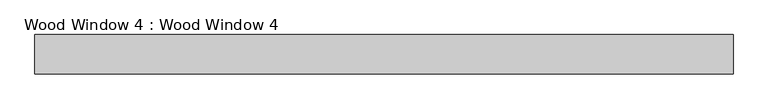
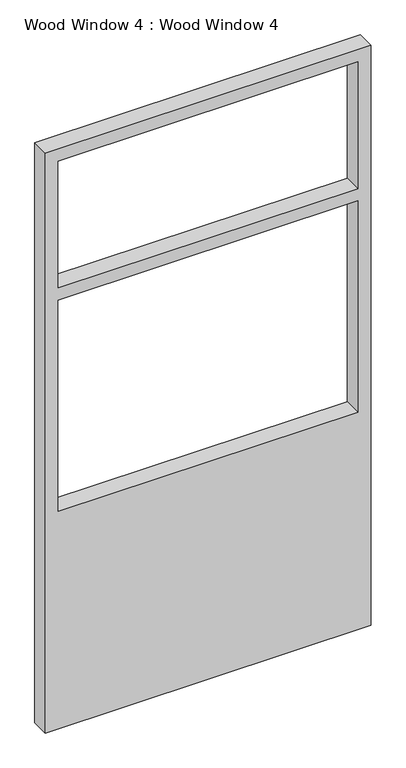
"""IFC4 building model written with IfcOpenShell, lengths in millimetres: proxy geometry, Wood Window 4 : Wood Window 4."""

from ifc_helpers import new_model, si_unit, frame, origin, place, context, project, spatial, polyline, outline, extrude, source, transform, mapped, element, save


def wood_window_4_wood_window_4_18971295(model_context):
    return source(origin(), model_context, "Body", "SweptSolid", [
        extrude(outline(polyline([(2438.4, 261806.2043688), (2438.4, 260510.8043688), (0.0, 260510.8043688), (0.0, 261806.2043688), (2438.4, 261806.2043688)]), holes=[polyline([(2387.6, 261755.4043688), (1854.2, 261755.4043688), (1854.2, 260561.6043688), (2387.6, 260561.6043688), (2387.6, 261755.4043688)]), polyline([(1803.4, 260561.6043688), (1803.4, 261755.4043688), (914.4, 261755.4043688), (914.4, 260561.6043688), (1803.4, 260561.6043688)])]), frame((0.0, -90571.8248653, 0.0), z_axis=(0.0, 1.0, 0.0), x_axis=(0.0, 0.0, 1.0)), (0.0, 0.0, 1.0), 72.7683486),
    ])


if __name__ == "__main__":
    model = new_model("IFC4")
    model_context = context("Model", 3, world=origin())
    ifc_project = project(units=[si_unit("LENGTHUNIT", "METRE", prefix="MILLI")], contexts=[model_context])
    site = spatial("IfcSite", under=ifc_project)
    building = spatial("IfcBuilding", under=site)
    placement = place(None, origin())
    wood_window_4_wood_window_4_shape = wood_window_4_wood_window_4_18971295(model_context)
    element("IfcBuildingElementProxy", 1, Name="Wood Window 4 : Wood Window 4", ObjectType="Wood Window 4 : Wood Window 4", at=placement, inside=building, context=model_context, shape_type="MappedRepresentation", body=[
        mapped(wood_window_4_wood_window_4_shape, transform((0.0, 0.0, 0.0), x_axis=(1.0, 0.0, 0.0), y_axis=(0.0, 1.0, 0.0), z_axis=(0.0, 0.0, 1.0))),
    ])
    save(model, "model.ifc")
